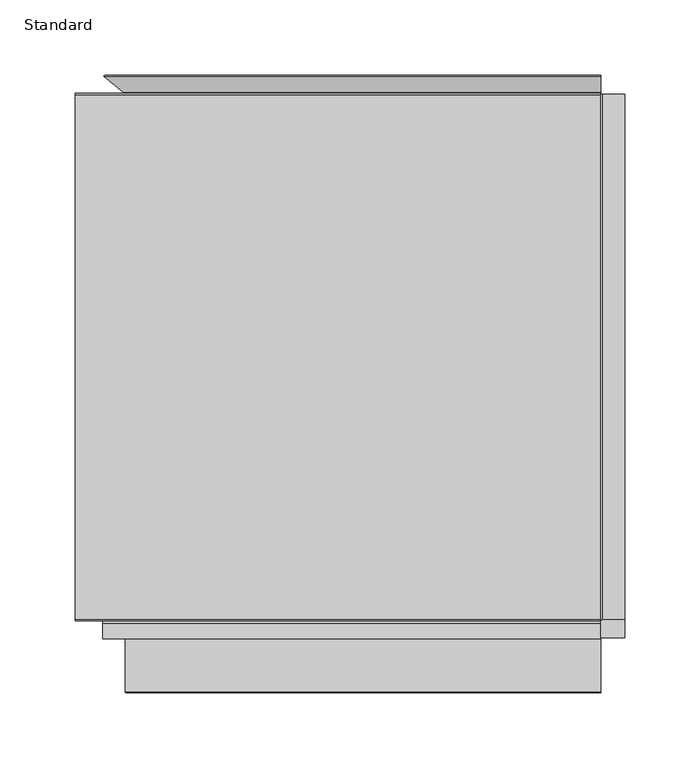
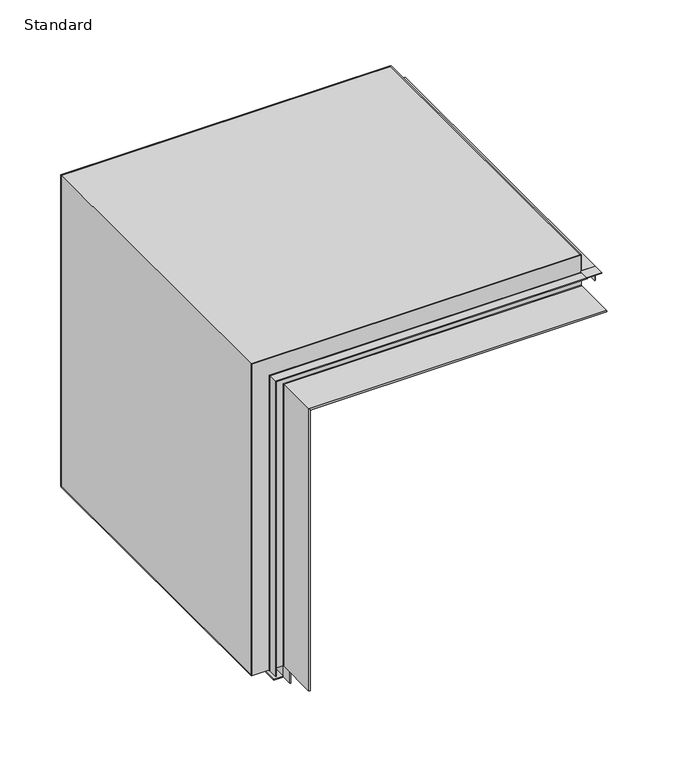
"""IFC4 building model written with IfcOpenShell, lengths in millimetres: proxy geometry, Standard."""

from ifc_helpers import new_model, si_unit, frame, origin, place, context, project, spatial, polyline, circle_curve, ellipse_curve, outline, extrude, source, transform, mapped, element, save
from ifc_brep_helpers import plane_surface, cylinder_surface, revolved_surface, advanced_brep


def standard_4fa8f3e5(model_context):
    return source(origin(), model_context, "Body", "SolidModel", [
        extrude(outline(polyline([(-0.8, -374.7472913), (-0.8, -362.7472913), (0.0, -362.7472913), (0.0, -374.7472913), (-0.8, -374.7472913)])), frame((0.0, 0.0, -328.8), z_axis=(0.0, 0.0, 1.0), x_axis=(1.0, 0.0, 0.0)), (0.0, 0.0, 1.0), 13.8),
        extrude(outline(polyline([(-315.8, -0.8), (-328.0, -0.8), (-328.0, -11.0), (-328.8, -11.0), (-328.8, 0.0), (-315.0, 0.0), (-315.0, -35.0), (-315.8, -35.0), (-315.8, -0.8)])), frame((0.0, -362.7472913, 0.0), z_axis=(0.0, 1.0, 0.0), x_axis=(0.0, 0.0, 1.0)), (0.0, 0.0, 1.0), 350.0),
        extrude(outline(polyline([(330.8, -374.7472913), (315.0, -374.7472913), (315.0, -362.7472913), (330.8, -362.7472913), (330.8, -374.7472913)])), frame((0.0, 0.0, 16.0), z_axis=(0.0, 0.0, 1.0), x_axis=(1.0, 0.0, 0.0)), (0.0, 0.0, 1.0), 0.8),
        extrude(outline(polyline([(16.8, 315.8), (35.0, 315.8), (35.0, 315.0), (16.0, 315.0), (16.0, 330.0), (0.8, 330.0), (0.8, 330.8), (16.8, 330.8), (16.8, 315.8)])), frame((0.0, -362.7472913, 0.0), z_axis=(0.0, 1.0, 0.0), x_axis=(0.0, 0.0, 1.0)), (0.0, 0.0, 1.0), 350.0),
        advanced_brep(
        [(-3.3, -12.2472913, -315.0), (-2.9786062, -11.3642691, -315.0), (-15.7916657, -0.6128356, -315.0), (-15.2774356, 0.0, -315.0), (-2.4643761, -10.7514335, -315.0), (-3.3, -13.0472913, -315.0), (-35.0, -13.0472913, -315.0), (-35.0, -12.2472913, -315.0), (315.0, -12.2472913, 3.3), (315.0, -12.2472913, 35.0), (315.0, -13.0472913, 35.0), (315.0, -13.0472913, 3.3), (315.0, -10.7514335, 2.4643761), (315.0, 0.0, 15.2774356), (315.0, -0.6128356, 15.7916657), (315.0, -11.3642691, 2.9786062), (-35.0, -12.2472913, 35.0), (-3.3, -12.2472913, 3.3), (-35.0, -13.0472913, 35.0), (-3.3, -13.0472913, 3.3), (-2.4643761, -10.7514335, 2.4643761), (-15.2774356, 0.0, 15.2774356), (-15.7916657, -0.6128356, 15.7916657), (-2.9786062, -11.3642691, 2.9786062)],
        [
            (0, 1, circle_curve(frame((-3.3, -11.7472913, -315.0), z_axis=(0.0, 0.0, 1.0), x_axis=(0.0, -1.0, 0.0)), 0.5)),
            (1, 2),
            (2, 3),
            (3, 4),
            (4, 5, circle_curve(frame((-3.3, -11.7472913, -315.0), z_axis=(0.0, 0.0, -1.0), x_axis=(0.0, -1.0, 0.0)), 1.3)),
            (5, 6),
            (6, 7),
            (7, 0),
            (8, 9),
            (9, 10),
            (10, 11),
            (11, 12, circle_curve(frame((315.0, -11.7472913, 3.3), z_axis=(1.0, 0.0, 0.0), x_axis=(0.0, -1.0, 0.0)), 1.3)),
            (12, 13),
            (13, 14),
            (14, 15),
            (15, 8, circle_curve(frame((315.0, -11.7472913, 3.3), z_axis=(-1.0, 0.0, 0.0), x_axis=(0.0, -1.0, 0.0)), 0.5)),
            (7, 16),
            (16, 9),
            (8, 17),
            (17, 0),
            (6, 18),
            (18, 16),
            (5, 19),
            (19, 11),
            (10, 18),
            (4, 20),
            (20, 19, ellipse_curve(frame((-3.3, -11.7472913, 3.3), z_axis=(-0.7071067811865451, 0.0, -0.7071067811865498), x_axis=(0.7071067811865497, 0.0, -0.7071067811865452)), 1.8384776, 1.3)),
            (3, 21),
            (21, 20),
            (2, 22),
            (22, 21),
            (1, 23),
            (23, 22),
            (17, 23, ellipse_curve(frame((-3.3, -11.7472913, 3.3), z_axis=(0.7071067811865451, 0.0, 0.7071067811865498), x_axis=(-0.7071067811865497, 0.0, 0.7071067811865452)), 0.7071068, 0.5)),
            (20, 12),
            (21, 13),
            (22, 14),
            (23, 15),
        ],
        [
            plane_surface(frame((0.0, -12.2472913, -315.0), z_axis=(0.0, 0.0, -1.0), x_axis=(0.0, -1.0, 0.0))),
            plane_surface(frame((315.0, -12.2472913, 0.0), z_axis=(1.0, 0.0, 0.0), x_axis=(0.0, -1.0, 0.0))),
            plane_surface(frame((-3.3, -12.2472913, -315.0), z_axis=(0.0, 1.0, 0.0), x_axis=(0.0, 0.0, 1.0))),
            plane_surface(frame((-35.0, -12.2472913, -315.0), z_axis=(-1.0, 0.0, 0.0), x_axis=(0.0, 0.0, 1.0))),
            plane_surface(frame((-35.0, -13.0472913, -315.0), z_axis=(0.0, -1.0, 0.0), x_axis=(0.0, 0.0, 1.0))),
            cylinder_surface(frame((-3.3, -11.7472913, -315.0), z_axis=(0.0, 0.0, -1.0), x_axis=(0.0, -1.0, 0.0)), 1.3),
            plane_surface(frame((-2.4643761, -10.7514335, -315.0), z_axis=(0.6427876096857593, 0.7660444431196325, 0.0), x_axis=(0.0, 0.0, 1.0))),
            plane_surface(frame((-15.2774356, 0.0, -315.0), z_axis=(-0.7660444431199622, 0.6427876096853664, 0.0), x_axis=(0.0, 0.0, 1.0))),
            plane_surface(frame((-15.7916657, -0.6128356, -315.0), z_axis=(-0.6427876096857594, -0.7660444431196325, 0.0), x_axis=(0.0, 0.0, 1.0))),
            revolved_surface(polyline([(-3.3, -12.2472913, 3.8000000133031335), (-3.3, -12.2472913, -315.0)]), (-3.3, -11.7472913, -315.0), (0.0, 0.0, 1.0)),
            plane_surface(frame((-35.0, -12.2472913, 35.0), z_axis=(0.0, 0.0, 1.0), x_axis=(1.0, 0.0, 0.0))),
            cylinder_surface(frame((0.0, -11.7472913, 3.3), z_axis=(-1.0, 0.0, 0.0), x_axis=(0.0, -1.0, 0.0)), 1.3),
            plane_surface(frame((-2.4643761, -10.7514335, 2.4643761), z_axis=(0.0, 0.7660444431196325, -0.6427876096857593), x_axis=(1.0, 0.0, 0.0))),
            plane_surface(frame((-15.2774356, 0.0, 15.2774356), z_axis=(0.0, 0.6427876096853664, 0.7660444431199622), x_axis=(1.0, 0.0, 0.0))),
            plane_surface(frame((-15.7916657, -0.6128356, 15.7916657), z_axis=(0.0, -0.7660444431196325, 0.6427876096857594), x_axis=(1.0, 0.0, 0.0))),
            revolved_surface(polyline([(315.0, -12.2472913, 3.3), (-3.800000013303121, -12.2472913, 3.3)]), (0.0, -11.7472913, 3.3), (1.0, 0.0, 0.0)),
        ],
        [
            (0, [[1, 2, 3, 4, 5, 6, 7, 8]]),
            (1, [[9, 10, 11, 12, 13, 14, 15, 16]]),
            (2, [[17, 18, -9, 19, 20, -8]]),
            (3, [[21, 22, -17, -7]]),
            (4, [[23, 24, -11, 25, -21, -6]]),
            (5, [[26, 27, -23, -5]]),
            (6, [[28, 29, -26, -4]]),
            (7, [[30, 31, -28, -3]]),
            (8, [[32, 33, -30, -2]]),
            (9, [[-20, 34, -32, -1]]),
            (10, [[-25, -10, -18, -22]]),
            (11, [[35, -12, -24, -27]]),
            (12, [[36, -13, -35, -29]]),
            (13, [[37, -14, -36, -31]]),
            (14, [[38, -15, -37, -33]]),
            (15, [[-19, -16, -38, -34]]),
        ],
    ),
        advanced_brep(
        [(0.0, -363.7472913, -315.0), (0.0, -410.3972913, -315.0), (-1.7, -410.3972913, -315.0), (-1.7, -364.7972913, -315.0), (-2.2, -364.2972913, -315.0), (-15.4, -364.2972913, -315.0), (-15.9, -364.7972913, -315.0), (-15.9, -375.2472913, -315.0), (-16.7, -375.2472913, -315.0), (-16.7, -364.7972913, -315.0), (-15.4, -363.4972913, -315.0), (-2.2, -363.4972913, -315.0), (-0.9, -364.7972913, -315.0), (-0.9, -400.6472913, -315.0), (-0.8, -363.7472913, -315.0), (-1.3, -363.2472913, -315.0), (-35.0, -363.2472913, -315.0), (-35.0, -362.4472913, -315.0), (-1.3, -362.4472913, -315.0), (-1.3, -362.4472913, 1.3), (0.0, -363.7472913, 0.0), (-35.0, -362.4472913, 35.0), (315.0, -362.4472913, 35.0), (315.0, -362.4472913, 1.3), (-35.0, -363.2472913, 35.0), (-1.3, -363.2472913, 1.3), (315.0, -363.2472913, 1.3), (315.0, -363.2472913, 35.0), (-0.8, -363.7472913, 0.8), (-0.9, -400.6472913, 0.9), (-0.9, -364.7972913, 0.9), (-2.2, -363.4972913, 2.2), (-15.4, -363.4972913, 15.4), (315.0, -363.4972913, 15.4), (315.0, -363.4972913, 2.2), (-16.7, -364.7972913, 16.7), (-16.7, -375.2472913, 16.7), (-15.9, -375.2472913, 15.9), (315.0, -375.2472913, 15.9), (315.0, -375.2472913, 16.7), (-15.9, -364.7972913, 15.9), (-15.4, -364.2972913, 15.4), (-2.2, -364.2972913, 2.2), (315.0, -364.2972913, 2.2), (315.0, -364.2972913, 15.4), (-1.7, -364.7972913, 1.7), (-1.7, -410.3972913, 1.7), (0.0, -410.3972913, 0.0), (315.0, -363.7472913, 0.0), (315.0, -363.7472913, 0.8), (315.0, -400.6472913, 0.9), (315.0, -364.7972913, 0.9), (315.0, -364.7972913, 16.7), (315.0, -364.7972913, 15.9), (315.0, -364.7972913, 1.7), (315.0, -410.3972913, 1.7), (315.0, -410.3972913, 0.0)],
        [
            (0, 1),
            (1, 2, circle_curve(frame((-0.85, -410.3972913, -315.0), z_axis=(0.0, 0.0, -1.0), x_axis=(0.0, -1.0, 0.0)), 0.85)),
            (2, 3),
            (3, 4, circle_curve(frame((-2.2, -364.7972913, -315.0), z_axis=(0.0, 0.0, 1.0), x_axis=(0.0, -1.0, 0.0)), 0.5)),
            (4, 5),
            (5, 6, circle_curve(frame((-15.4, -364.7972913, -315.0), z_axis=(0.0, 0.0, 1.0), x_axis=(0.0, -1.0, 0.0)), 0.5)),
            (6, 7),
            (7, 8),
            (8, 9),
            (9, 10, circle_curve(frame((-15.4, -364.7972913, -315.0), z_axis=(0.0, 0.0, -1.0), x_axis=(0.0, -1.0, 0.0)), 1.3)),
            (10, 11),
            (11, 12, circle_curve(frame((-2.2, -364.7972913, -315.0), z_axis=(0.0, 0.0, -1.0), x_axis=(0.0, -1.0, 0.0)), 1.3)),
            (12, 13),
            (13, 14),
            (14, 15, circle_curve(frame((-1.3, -363.7472913, -315.0), z_axis=(0.0, 0.0, 1.0), x_axis=(0.0, -1.0, 0.0)), 0.5)),
            (15, 16),
            (16, 17),
            (17, 18),
            (18, 0, circle_curve(frame((-1.3, -363.7472913, -315.0), z_axis=(0.0, 0.0, -1.0), x_axis=(0.0, -1.0, 0.0)), 1.3)),
            (18, 19),
            (19, 20, ellipse_curve(frame((-1.3, -363.7472913, 1.3), z_axis=(-0.7071067811865401, 0.0, -0.7071067811865548), x_axis=(0.7071067811865547, 0.0, -0.7071067811865402)), 1.8384776, 1.3)),
            (20, 0),
            (17, 21),
            (21, 22),
            (22, 23),
            (23, 19),
            (16, 24),
            (24, 21),
            (15, 25),
            (25, 26),
            (26, 27),
            (27, 24),
            (14, 28),
            (28, 25, ellipse_curve(frame((-1.3, -363.7472913, 1.3), z_axis=(0.7071067811865401, 0.0, 0.7071067811865548), x_axis=(-0.7071067811865547, 0.0, 0.7071067811865402)), 0.7071068, 0.5)),
            (13, 29),
            (29, 28),
            (12, 30),
            (30, 29),
            (11, 31),
            (31, 30, ellipse_curve(frame((-2.2, -364.7972913, 2.2), z_axis=(-0.7071067811865401, 0.0, -0.7071067811865548), x_axis=(0.7071067811865547, 0.0, -0.7071067811865402)), 1.8384776, 1.3)),
            (10, 32),
            (32, 33),
            (33, 34),
            (34, 31),
            (9, 35),
            (35, 32, ellipse_curve(frame((-15.4, -364.7972913, 15.4), z_axis=(-0.7071067811865401, 0.0, -0.7071067811865548), x_axis=(0.7071067811865547, 0.0, -0.7071067811865402)), 1.8384776, 1.3)),
            (8, 36),
            (36, 35),
            (7, 37),
            (37, 38),
            (38, 39),
            (39, 36),
            (6, 40),
            (40, 37),
            (5, 41),
            (41, 40, ellipse_curve(frame((-15.4, -364.7972913, 15.4), z_axis=(0.7071067811865401, 0.0, 0.7071067811865548), x_axis=(-0.7071067811865547, 0.0, 0.7071067811865402)), 0.7071068, 0.5)),
            (4, 42),
            (42, 43),
            (43, 44),
            (44, 41),
            (3, 45),
            (45, 42, ellipse_curve(frame((-2.2, -364.7972913, 2.2), z_axis=(0.7071067811865401, 0.0, 0.7071067811865548), x_axis=(-0.7071067811865547, 0.0, 0.7071067811865402)), 0.7071068, 0.5)),
            (2, 46),
            (46, 45),
            (1, 47),
            (47, 46, ellipse_curve(frame((-0.85, -410.3972913, 0.85), z_axis=(-0.7071067811865401, 0.0, -0.7071067811865548), x_axis=(0.7071067811865547, 0.0, -0.7071067811865402)), 1.2020815, 0.85)),
            (20, 47),
            (48, 23, circle_curve(frame((315.0, -363.7472913, 1.3), z_axis=(1.0, 0.0, 0.0), x_axis=(0.0, -1.0, 0.0)), 1.3)),
            (22, 27),
            (26, 49, circle_curve(frame((315.0, -363.7472913, 1.3), z_axis=(-1.0, 0.0, 0.0), x_axis=(0.0, -1.0, 0.0)), 0.5)),
            (49, 50),
            (50, 51),
            (51, 34, circle_curve(frame((315.0, -364.7972913, 2.2), z_axis=(1.0, 0.0, 0.0), x_axis=(0.0, -1.0, 0.0)), 1.3)),
            (33, 52, circle_curve(frame((315.0, -364.7972913, 15.4), z_axis=(1.0, 0.0, 0.0), x_axis=(0.0, -1.0, 0.0)), 1.3)),
            (52, 39),
            (38, 53),
            (53, 44, circle_curve(frame((315.0, -364.7972913, 15.4), z_axis=(-1.0, 0.0, 0.0), x_axis=(0.0, -1.0, 0.0)), 0.5)),
            (43, 54, circle_curve(frame((315.0, -364.7972913, 2.2), z_axis=(-1.0, 0.0, 0.0), x_axis=(0.0, -1.0, 0.0)), 0.5)),
            (54, 55),
            (55, 56, circle_curve(frame((315.0, -410.3972913, 0.85), z_axis=(1.0, 0.0, 0.0), x_axis=(0.0, -1.0, 0.0)), 0.85)),
            (56, 48),
            (48, 20),
            (28, 49),
            (29, 50),
            (30, 51),
            (35, 52),
            (40, 53),
            (45, 54),
            (46, 55),
            (47, 56),
        ],
        [
            plane_surface(frame((0.0, -363.2472913, -315.0), z_axis=(0.0, 0.0, -1.0), x_axis=(0.0, -1.0, 0.0))),
            cylinder_surface(frame((-1.3, -363.7472913, -315.0), z_axis=(0.0, 0.0, -1.0), x_axis=(0.0, -1.0, 0.0)), 1.3),
            plane_surface(frame((-1.3, -362.4472913, -315.0), z_axis=(0.0, 1.0, 0.0), x_axis=(0.0, 0.0, 1.0))),
            plane_surface(frame((-35.0, -362.4472913, -315.0), z_axis=(-1.0, 0.0, 0.0), x_axis=(0.0, 0.0, 1.0))),
            plane_surface(frame((-35.0, -363.2472913, -315.0), z_axis=(0.0, -1.0, 0.0), x_axis=(0.0, 0.0, 1.0))),
            revolved_surface(polyline([(-1.3, -364.2472913, 1.8000000133031335), (-1.3, -364.2472913, -315.0)]), (-1.3, -363.7472913, -315.0), (0.0, 0.0, 1.0)),
            plane_surface(frame((-0.8, -363.7472913, -315.0), z_axis=(-0.9999963278967846, 0.002710017148754991, 0.0), x_axis=(0.0, 0.0, 1.0))),
            plane_surface(frame((-0.9, -400.6472913, -315.0), z_axis=(1.0, 0.0, 0.0), x_axis=(0.0, 0.0, 1.0))),
            cylinder_surface(frame((-2.2, -364.7972913, -315.0), z_axis=(0.0, 0.0, -1.0), x_axis=(0.0, -1.0, 0.0)), 1.3),
            plane_surface(frame((-2.2, -363.4972913, -315.0), z_axis=(0.0, 1.0, 0.0), x_axis=(0.0, 0.0, 1.0))),
            cylinder_surface(frame((-15.4, -364.7972913, -315.0), z_axis=(0.0, 0.0, -1.0), x_axis=(0.0, -1.0, 0.0)), 1.3),
            plane_surface(frame((-16.7, -364.7972913, -315.0), z_axis=(-1.0, 0.0, 0.0), x_axis=(0.0, 0.0, 1.0))),
            plane_surface(frame((-16.7, -375.2472913, -315.0), z_axis=(0.0, -1.0, 0.0), x_axis=(0.0, 0.0, 1.0))),
            plane_surface(frame((-15.9, -375.2472913, -315.0), z_axis=(1.0, 0.0, 0.0), x_axis=(0.0, 0.0, 1.0))),
            revolved_surface(polyline([(-15.4, -365.2972913, 15.9000000133031), (-15.4, -365.2972913, -315.0)]), (-15.4, -364.7972913, -315.0), (0.0, 0.0, 1.0)),
            plane_surface(frame((-15.4, -364.2972913, -315.0), z_axis=(0.0, -1.0, 0.0), x_axis=(0.0, 0.0, 1.0))),
            revolved_surface(polyline([(-2.2, -365.2972913, 2.700000013303111), (-2.2, -365.2972913, -315.0)]), (-2.2, -364.7972913, -315.0), (0.0, 0.0, 1.0)),
            plane_surface(frame((-1.7, -364.7972913, -315.0), z_axis=(-1.0, 0.0, 0.0), x_axis=(0.0, 0.0, 1.0))),
            cylinder_surface(frame((-0.85, -410.3972913, -315.0), z_axis=(0.0, 0.0, -1.0), x_axis=(0.0, -1.0, 0.0)), 0.85),
            plane_surface(frame((0.0, -410.3972913, -315.0), z_axis=(1.0, 0.0, 0.0), x_axis=(0.0, 0.0, 1.0))),
            plane_surface(frame((315.0, -363.2472913, 0.0), z_axis=(1.0, 0.0, 0.0), x_axis=(0.0, -1.0, 0.0))),
            cylinder_surface(frame((0.0, -363.7472913, 1.3), z_axis=(-1.0, 0.0, 0.0), x_axis=(0.0, -1.0, 0.0)), 1.3),
            plane_surface(frame((-35.0, -362.4472913, 35.0), z_axis=(0.0, 0.0, 1.0), x_axis=(1.0, 0.0, 0.0))),
            revolved_surface(polyline([(315.0, -364.2472913, 1.3), (-1.800000013303125, -364.2472913, 1.3)]), (0.0, -363.7472913, 1.3), (1.0, 0.0, 0.0)),
            plane_surface(frame((-0.8, -363.7472913, 0.8), z_axis=(0.0, 0.002710017148754991, 0.9999963278967846), x_axis=(1.0, 0.0, 0.0))),
            plane_surface(frame((-0.9, -400.6472913, 0.9), z_axis=(0.0, 0.0, -1.0), x_axis=(1.0, 0.0, 0.0))),
            cylinder_surface(frame((0.0, -364.7972913, 2.2), z_axis=(-1.0, 0.0, 0.0), x_axis=(0.0, -1.0, 0.0)), 1.3),
            cylinder_surface(frame((0.0, -364.7972913, 15.4), z_axis=(-1.0, 0.0, 0.0), x_axis=(0.0, -1.0, 0.0)), 1.3),
            plane_surface(frame((-16.7, -364.7972913, 16.7), z_axis=(0.0, 0.0, 1.0), x_axis=(1.0, 0.0, 0.0))),
            plane_surface(frame((-15.9, -375.2472913, 15.9), z_axis=(0.0, 0.0, -1.0), x_axis=(1.0, 0.0, 0.0))),
            revolved_surface(polyline([(315.0, -365.2972913, 15.4), (-15.900000013303126, -365.2972913, 15.4)]), (0.0, -364.7972913, 15.4), (1.0, 0.0, 0.0)),
            revolved_surface(polyline([(315.0, -365.2972913, 2.2), (-2.700000013303125, -365.2972913, 2.2)]), (0.0, -364.7972913, 2.2), (1.0, 0.0, 0.0)),
            plane_surface(frame((-1.7, -364.7972913, 1.7), z_axis=(0.0, 0.0, 1.0), x_axis=(1.0, 0.0, 0.0))),
            cylinder_surface(frame((0.0, -410.3972913, 0.85), z_axis=(-1.0, 0.0, 0.0), x_axis=(0.0, -1.0, 0.0)), 0.85),
            plane_surface(frame((0.0, -410.3972913, 0.0), z_axis=(0.0, 0.0, -1.0), x_axis=(1.0, 0.0, 0.0))),
        ],
        [
            (0, [[1, 2, 3, 4, 5, 6, 7, 8, 9, 10, 11, 12, 13, 14, 15, 16, 17, 18, 19]]),
            (1, [[20, 21, 22, -19]]),
            (2, [[23, 24, 25, 26, -20, -18]]),
            (3, [[27, 28, -23, -17]]),
            (4, [[29, 30, 31, 32, -27, -16]]),
            (5, [[33, 34, -29, -15]]),
            (6, [[35, 36, -33, -14]]),
            (7, [[37, 38, -35, -13]]),
            (8, [[39, 40, -37, -12]]),
            (9, [[41, 42, 43, 44, -39, -11]]),
            (10, [[45, 46, -41, -10]]),
            (11, [[47, 48, -45, -9]]),
            (12, [[49, 50, 51, 52, -47, -8]]),
            (13, [[53, 54, -49, -7]]),
            (14, [[55, 56, -53, -6]]),
            (15, [[57, 58, 59, 60, -55, -5]]),
            (16, [[61, 62, -57, -4]]),
            (17, [[63, 64, -61, -3]]),
            (18, [[65, 66, -63, -2]]),
            (19, [[-22, 67, -65, -1]]),
            (20, [[68, -25, 69, -31, 70, 71, 72, 73, -43, 74, 75, -51, 76, 77, -59, 78, 79, 80, 81]]),
            (21, [[-26, -68, 82, -21]]),
            (22, [[-32, -69, -24, -28]]),
            (23, [[83, -70, -30, -34]]),
            (24, [[84, -71, -83, -36]]),
            (25, [[85, -72, -84, -38]]),
            (26, [[-44, -73, -85, -40]]),
            (27, [[86, -74, -42, -46]]),
            (28, [[-52, -75, -86, -48]]),
            (29, [[87, -76, -50, -54]]),
            (30, [[-60, -77, -87, -56]]),
            (31, [[88, -78, -58, -62]]),
            (32, [[89, -79, -88, -64]]),
            (33, [[90, -80, -89, -66]]),
            (34, [[-82, -81, -90, -67]]),
        ],
    ),
        extrude(outline(polyline([(-315.0, 0.0), (0.0, 0.0), (0.0, 315.0), (35.0, 315.0), (35.0, -35.0), (-315.0, -35.0), (-315.0, 0.0)])), frame((0.0, -362.7472913, 0.0), z_axis=(0.0, 1.0, 0.0), x_axis=(0.0, 0.0, 1.0)), (0.0, 0.0, 1.0), 350.0),
    ])


if __name__ == "__main__":
    model = new_model("IFC4")
    model_context = context("Model", 3, world=origin())
    ifc_project = project(units=[si_unit("LENGTHUNIT", "METRE", prefix="MILLI")], contexts=[model_context])
    site = spatial("IfcSite", under=ifc_project)
    building = spatial("IfcBuilding", under=site)
    placement = place(None, origin())
    standard_shape = standard_4fa8f3e5(model_context)
    element("IfcBuildingElementProxy", 1, Name="Standard", ObjectType="Standard", at=placement, inside=building, context=model_context, shape_type="MappedRepresentation", body=[
        mapped(standard_shape, transform((0.0, 0.0, 0.0), x_axis=(1.0, 0.0, 0.0), y_axis=(0.0, 1.0, 0.0), z_axis=(0.0, 0.0, 1.0))),
    ])
    save(model, "model.ifc")
